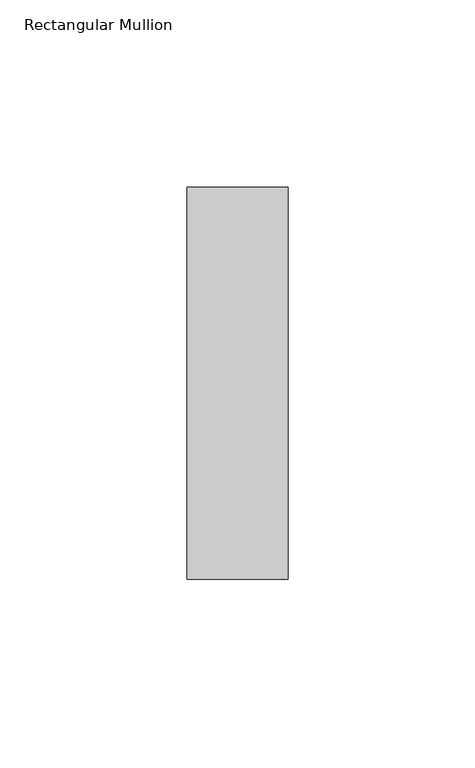
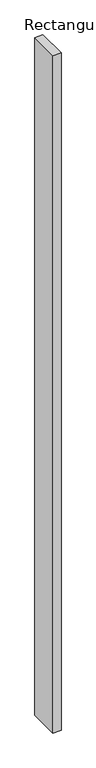
"""IFC4 building model written with IfcOpenShell, lengths in millimetres: member geometry, Rectangular Mullion."""

import ifcopenshell
import ifcopenshell.guid

model = None  # the IFC model being written
_history = None  # IfcOwnerHistory: only IFC2X3 demands one
_inside = {}  # id of a spatial element -> (the spatial element, [elements in it])
_under = {}  # id of a project, library or spatial element -> (it, [spatial elements below it])
_declared = {}  # id of a project -> (the project, [libraries it declares])
_typed = {}  # id of a type object -> (the type object, [elements of that type])
_made_of = {}  # id of a material, layer set ... -> (it, [elements and type objects made of it])


def new_model(schema):
    """Start an empty IFC model of exactly this schema.

    Asked for "IFC4X3", IfcOpenShell would pick the latest addendum, in which some entities
    have other attributes; the version numbers below select the first issue.
    IFC2X3 requires an IfcOwnerHistory on every rooted entity: one is made here for all.
    """
    global model, _history
    if schema == "IFC4X3":
        model = ifcopenshell.file(schema_version=(4, 3, 0, 0))
    else:
        model = ifcopenshell.file(schema=schema)
    _inside.clear()
    _under.clear()
    _declared.clear()
    _typed.clear()
    _made_of.clear()
    _history = None
    if model.schema == "IFC2X3":
        org = make("IfcOrganization", Name="unknown")
        user = make(
            "IfcPersonAndOrganization",
            ThePerson=make("IfcPerson", FamilyName="unknown"),
            TheOrganization=org,
        )
        app = make(
            "IfcApplication",
            ApplicationDeveloper=org,
            Version="unknown",
            ApplicationFullName="unknown",
            ApplicationIdentifier="unknown",
        )
        _history = make(
            "IfcOwnerHistory",
            OwningUser=user,
            OwningApplication=app,
            ChangeAction="ADDED",
            CreationDate=0,
        )
    return model


def make(cls, **values):
    """One entity of the class cls with the attributes given. An attribute that is None is left unset."""
    return model.create_entity(
        cls, **{name: value for name, value in values.items() if value is not None}
    )


def rooted(cls, **values):
    """An entity with a GlobalId (a new one), such as an element, a storey or a relation."""
    return make(cls, GlobalId=ifcopenshell.guid.new(), OwnerHistory=_history, **values)


def si_unit(unit_type, name, prefix=None):
    """IfcSIUnit, for example si_unit("LENGTHUNIT", "METRE", prefix="MILLI")."""
    return make("IfcSIUnit", UnitType=unit_type, Prefix=prefix, Name=name)


def assignment(units):
    """IfcUnitAssignment: the units of a project."""
    return None if units is None else make("IfcUnitAssignment", Units=units)


def point(xyz):
    """IfcCartesianPoint."""
    return None if xyz is None else make("IfcCartesianPoint", Coordinates=xyz)


def direction(xyz):
    """IfcDirection."""
    return None if xyz is None else make("IfcDirection", DirectionRatios=xyz)


def frame(location, z_axis=None, x_axis=None):
    """IfcAxis2Placement3D, a coordinate frame: its origin and axes. An axis left out is left unset."""
    return make(
        "IfcAxis2Placement3D",
        Location=point(location),
        Axis=direction(z_axis),
        RefDirection=direction(x_axis),
    )


def origin():
    """The frame at (0, 0, 0) with its axes left unset."""
    return frame((0.0, 0.0, 0.0))


def place(relative_to, where):
    """IfcLocalPlacement: puts the frame where relative to a parent placement (None: the world)."""
    return make(
        "IfcLocalPlacement", PlacementRelTo=relative_to, RelativePlacement=where
    )


def context(
    kind, dimensions, precision=None, world=None, true_north=None, identifier=None
):
    """IfcGeometricRepresentationContext, for example the 3D "Model" context."""
    return make(
        "IfcGeometricRepresentationContext",
        ContextIdentifier=identifier,
        ContextType=kind,
        CoordinateSpaceDimension=dimensions,
        Precision=precision,
        WorldCoordinateSystem=world,
        TrueNorth=true_north,
    )


def project(units=None, contexts=None):
    """IfcProject with its units and contexts."""
    return rooted(
        "IfcProject",
        Name="project",
        RepresentationContexts=contexts,
        UnitsInContext=assignment(units),
    )


def spatial(cls, under=None, at=None, **own):
    """A site, building, storey or space (cls), placed at a placement, below another one or the project."""
    s = rooted(cls, ObjectPlacement=at, **own)
    if under is not None:
        _under.setdefault(under.id(), (under, []))[1].append(s)
    return s


def polyline(points):
    """IfcPolyline through the points."""
    return make("IfcPolyline", Points=[point(p) for p in points])


def outline(outer, holes=None, kind="AREA"):
    """IfcArbitraryClosedProfileDef: a profile drawn as a closed curve; with holes, ...WithVoids."""
    if holes is None:
        return make("IfcArbitraryClosedProfileDef", ProfileType=kind, OuterCurve=outer)
    return make(
        "IfcArbitraryProfileDefWithVoids",
        ProfileType=kind,
        OuterCurve=outer,
        InnerCurves=holes,
    )


def extrude(swept, where, along, depth):
    """IfcExtrudedAreaSolid: the profile swept, set in the frame where, extruded along a direction by depth."""
    return make(
        "IfcExtrudedAreaSolid",
        SweptArea=swept,
        Position=where,
        ExtrudedDirection=direction(along),
        Depth=depth,
    )


def shape(context_of_items, identifier, shape_type, items):
    """IfcShapeRepresentation: the items that make up one representation, for example the "Body"."""
    return make(
        "IfcShapeRepresentation",
        ContextOfItems=context_of_items,
        RepresentationIdentifier=identifier,
        RepresentationType=shape_type,
        Items=items,
    )


def source(mapping_origin, context_of_items, identifier, shape_type, items):
    """IfcRepresentationMap: a shape defined once, which mapped items show again and again."""
    return make(
        "IfcRepresentationMap",
        MappingOrigin=mapping_origin,
        MappedRepresentation=shape(context_of_items, identifier, shape_type, items),
    )


def transform(
    local_origin,
    x_axis=None,
    y_axis=None,
    z_axis=None,
    scale=None,
    scale2=None,
    scale3=None,
    uniform=True,
):
    """IfcCartesianTransformationOperator3D, or its non-uniform kind. x_axis, y_axis, z_axis: its Axis1, 2, 3."""
    if uniform:
        return make(
            "IfcCartesianTransformationOperator3D",
            Axis1=direction(x_axis),
            Axis2=direction(y_axis),
            LocalOrigin=point(local_origin),
            Scale=scale,
            Axis3=direction(z_axis),
        )
    return make(
        "IfcCartesianTransformationOperator3DnonUniform",
        Axis1=direction(x_axis),
        Axis2=direction(y_axis),
        LocalOrigin=point(local_origin),
        Scale=scale,
        Axis3=direction(z_axis),
        Scale2=scale2,
        Scale3=scale3,
    )


def mapped(mapping_source, mapping_target):
    """IfcMappedItem: shows the shape of a source again, moved by a transform."""
    return make(
        "IfcMappedItem", MappingSource=mapping_source, MappingTarget=mapping_target
    )


def made_of(thing, what):
    """Note that an element or type object is made of a material, layer set ...; save() writes the relation."""
    if what is not None:
        _made_of.setdefault(what.id(), (what, []))[1].append(thing)
    return thing


def element(
    cls,
    number,
    at=None,
    inside=None,
    cuts=None,
    type_object=None,
    material=None,
    context=None,
    identifier="Body",
    shape_type=None,
    held_by="IfcProductDefinitionShape",
    body=None,
    shapes=None,
    **own,
):
    """One element of the class cls, such as IfcWall. Its Tag is "e" and its number.

    at: its placement. inside: the storey or other place that contains it. cuts: it is an
    opening in that element (IfcRelVoidsElement). A single representation is given by context,
    identifier, shape_type and body (its items); several are given by shapes. held_by: the class
    of the entity that holds the representations. save() writes the other relations.
    """
    e = rooted(cls, Tag="e%d" % number, ObjectPlacement=at, **own)
    if body is not None:
        shapes = [shape(context, identifier, shape_type, body)]
    if shapes is not None:
        e.Representation = make(held_by, Representations=shapes)
    if inside is not None:
        _inside.setdefault(inside.id(), (inside, []))[1].append(e)
    if cuts is not None:
        rooted(
            "IfcRelVoidsElement", RelatingBuildingElement=cuts, RelatedOpeningElement=e
        )
    if type_object is not None:
        _typed.setdefault(type_object.id(), (type_object, []))[1].append(e)
    return made_of(e, material)


def aggregate(whole, parts):
    """IfcRelAggregates: a whole, such as a stair, and the parts it consists of."""
    return rooted("IfcRelAggregates", RelatingObject=whole, RelatedObjects=parts)


def save(model, path):
    """Write the relations noted so far, then the file.

    IfcRelAggregates (storeys below a building ...), IfcRelContainedInSpatialStructure (elements
    in a storey), IfcRelDefinesByType, IfcRelAssociatesMaterial and IfcRelDeclares: one each for
    every whole, place, type object, material and project.
    """
    for whole, parts in _under.values():
        aggregate(whole, parts)
    for where, things in _inside.values():
        rooted(
            "IfcRelContainedInSpatialStructure",
            RelatedElements=things,
            RelatingStructure=where,
        )
    for kind, things in _typed.values():
        rooted("IfcRelDefinesByType", RelatedObjects=things, RelatingType=kind)
    for what, things in _made_of.values():
        rooted("IfcRelAssociatesMaterial", RelatedObjects=things, RelatingMaterial=what)
    for by, libraries in _declared.values():
        rooted("IfcRelDeclares", RelatingContext=by, RelatedDefinitions=libraries)
    model.write(path)


def rectangular_mullion_837a233e(model_context):
    return source(origin(), model_context, "Body", "SweptSolid", [
        extrude(outline(polyline([(-27.0, 52.3975), (0.0, 52.3975), (0.0, -52.3975), (-27.0, -52.3975), (-27.0, 52.3975)])), frame((0.0, 0.0, -2400.0), z_axis=(0.0, 0.0, 1.0), x_axis=(1.0, 0.0, 0.0)), (0.0, 0.0, 1.0), 2400.0),
    ])


if __name__ == "__main__":
    model = new_model("IFC4")
    model_context = context("Model", 3, world=origin())
    ifc_project = project(units=[si_unit("LENGTHUNIT", "METRE", prefix="MILLI")], contexts=[model_context])
    site = spatial("IfcSite", under=ifc_project)
    building = spatial("IfcBuilding", under=site)
    placement = place(None, origin())
    rectangular_mullion_shape = rectangular_mullion_837a233e(model_context)
    element("IfcMember", 1, ObjectType="Rectangular Mullion", at=placement, inside=building, context=model_context, shape_type="MappedRepresentation", body=[
        mapped(rectangular_mullion_shape, transform((0.0, 0.0, 0.0), x_axis=(1.0, 0.0, 0.0), y_axis=(0.0, 1.0, 0.0), z_axis=(0.0, 0.0, 1.0))),
    ])
    save(model, "model.ifc")
